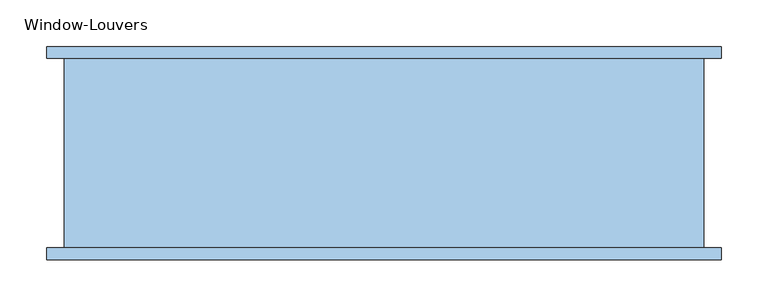
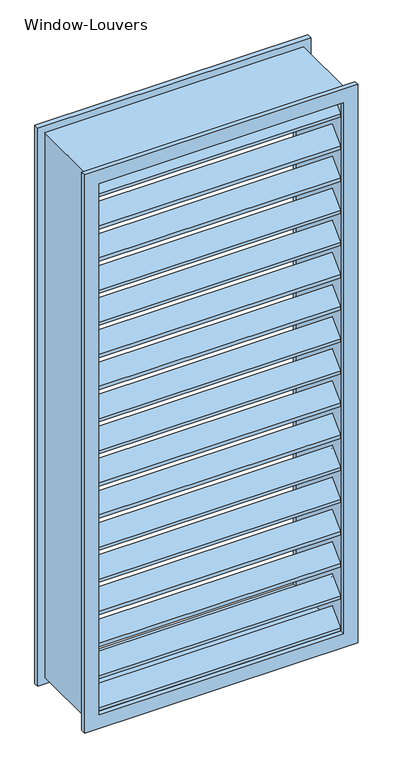
"""IFC4 building model written with IfcOpenShell, lengths in millimetres: window geometry, Window-Louvers."""

from ifc_helpers import new_model, si_unit, frame, origin, place, context, project, spatial, polyline, outline, extrude, source, transform, mapped, element, save


def window_louvers_41e8285a(model_context):
    return source(origin(), model_context, "Body", "SweptSolid", [
        extrude(outline(polyline([(-95.25, 2291.323766), (-57.15, 2329.423766), (-19.05, 2291.323766), (-19.05, 2282.3435099), (-57.15, 2320.4435099), (-95.25, 2282.3435099), (-95.25, 2291.323766)])), frame((-323.85, 0.0, 0.0), z_axis=(1.0, 0.0, 0.0), x_axis=(0.0, 1.0, 0.0)), (0.0, 0.0, 1.0), 647.7),
        extrude(outline(polyline([(-95.25, 2201.397532), (-57.15, 2239.497532), (-19.05, 2201.397532), (-19.05, 2192.4172759), (-57.15, 2230.5172759), (-95.25, 2192.4172759), (-95.25, 2201.397532)])), frame((-323.85, 0.0, 0.0), z_axis=(1.0, 0.0, 0.0), x_axis=(0.0, 1.0, 0.0)), (0.0, 0.0, 1.0), 647.7),
        extrude(outline(polyline([(-95.25, 2111.471298), (-57.15, 2149.571298), (-19.05, 2111.471298), (-19.05, 2102.4910419), (-57.15, 2140.5910419), (-95.25, 2102.4910419), (-95.25, 2111.471298)])), frame((-323.85, 0.0, 0.0), z_axis=(1.0, 0.0, 0.0), x_axis=(0.0, 1.0, 0.0)), (0.0, 0.0, 1.0), 647.7),
        extrude(outline(polyline([(-95.25, 2021.545064), (-57.15, 2059.645064), (-19.05, 2021.545064), (-19.05, 2012.5648079), (-57.15, 2050.6648079), (-95.25, 2012.5648079), (-95.25, 2021.545064)])), frame((-323.85, 0.0, 0.0), z_axis=(1.0, 0.0, 0.0), x_axis=(0.0, 1.0, 0.0)), (0.0, 0.0, 1.0), 647.7),
        extrude(outline(polyline([(-95.25, 1931.61883), (-57.15, 1969.71883), (-19.05, 1931.61883), (-19.05, 1922.6385739), (-57.15, 1960.7385739), (-95.25, 1922.6385739), (-95.25, 1931.61883)])), frame((-323.85, 0.0, 0.0), z_axis=(1.0, 0.0, 0.0), x_axis=(0.0, 1.0, 0.0)), (0.0, 0.0, 1.0), 647.7),
        extrude(outline(polyline([(-95.25, 1841.692596), (-57.15, 1879.792596), (-19.05, 1841.692596), (-19.05, 1832.7123399), (-57.15, 1870.8123399), (-95.25, 1832.7123399), (-95.25, 1841.692596)])), frame((-323.85, 0.0, 0.0), z_axis=(1.0, 0.0, 0.0), x_axis=(0.0, 1.0, 0.0)), (0.0, 0.0, 1.0), 647.7),
        extrude(outline(polyline([(-95.25, 1751.7663621), (-57.15, 1789.8663621), (-19.05, 1751.7663621), (-19.05, 1742.7861059), (-57.15, 1780.8861059), (-95.25, 1742.7861059), (-95.25, 1751.7663621)])), frame((-323.85, 0.0, 0.0), z_axis=(1.0, 0.0, 0.0), x_axis=(0.0, 1.0, 0.0)), (0.0, 0.0, 1.0), 647.7),
        extrude(outline(polyline([(-95.25, 1661.8401281), (-57.15, 1699.9401281), (-19.05, 1661.8401281), (-19.05, 1652.8598719), (-57.15, 1690.9598719), (-95.25, 1652.8598719), (-95.25, 1661.8401281)])), frame((-323.85, 0.0, 0.0), z_axis=(1.0, 0.0, 0.0), x_axis=(0.0, 1.0, 0.0)), (0.0, 0.0, 1.0), 647.7),
        extrude(outline(polyline([(-95.25, 1571.9138941), (-57.15, 1610.0138941), (-19.05, 1571.9138941), (-19.05, 1562.9336379), (-57.15, 1601.0336379), (-95.25, 1562.9336379), (-95.25, 1571.9138941)])), frame((-323.85, 0.0, 0.0), z_axis=(1.0, 0.0, 0.0), x_axis=(0.0, 1.0, 0.0)), (0.0, 0.0, 1.0), 647.7),
        extrude(outline(polyline([(-95.25, 1481.9876601), (-57.15, 1520.0876601), (-19.05, 1481.9876601), (-19.05, 1473.007404), (-57.15, 1511.107404), (-95.25, 1473.007404), (-95.25, 1481.9876601)])), frame((-323.85, 0.0, 0.0), z_axis=(1.0, 0.0, 0.0), x_axis=(0.0, 1.0, 0.0)), (0.0, 0.0, 1.0), 647.7),
        extrude(outline(polyline([(-95.25, 1392.0614261), (-57.15, 1430.1614261), (-19.05, 1392.0614261), (-19.05, 1383.08117), (-57.15, 1421.18117), (-95.25, 1383.08117), (-95.25, 1392.0614261)])), frame((-323.85, 0.0, 0.0), z_axis=(1.0, 0.0, 0.0), x_axis=(0.0, 1.0, 0.0)), (0.0, 0.0, 1.0), 647.7),
        extrude(outline(polyline([(-95.25, 1302.1351921), (-57.15, 1340.2351921), (-19.05, 1302.1351921), (-19.05, 1293.154936), (-57.15, 1331.254936), (-95.25, 1293.154936), (-95.25, 1302.1351921)])), frame((-323.85, 0.0, 0.0), z_axis=(1.0, 0.0, 0.0), x_axis=(0.0, 1.0, 0.0)), (0.0, 0.0, 1.0), 647.7),
        extrude(outline(polyline([(-95.25, 1212.2089581), (-57.15, 1250.3089581), (-19.05, 1212.2089581), (-19.05, 1203.228702), (-57.15, 1241.328702), (-95.25, 1203.228702), (-95.25, 1212.2089581)])), frame((-323.85, 0.0, 0.0), z_axis=(1.0, 0.0, 0.0), x_axis=(0.0, 1.0, 0.0)), (0.0, 0.0, 1.0), 647.7),
        extrude(outline(polyline([(-95.25, 1122.2827241), (-57.15, 1160.3827241), (-19.05, 1122.2827241), (-19.05, 1113.302468), (-57.15, 1151.402468), (-95.25, 1113.302468), (-95.25, 1122.2827241)])), frame((-323.85, 0.0, 0.0), z_axis=(1.0, 0.0, 0.0), x_axis=(0.0, 1.0, 0.0)), (0.0, 0.0, 1.0), 647.7),
        extrude(outline(polyline([(-95.25, 1032.3564901), (-57.15, 1070.4564901), (-19.05, 1032.3564901), (-19.05, 1023.376234), (-57.15, 1061.476234), (-95.25, 1023.376234), (-95.25, 1032.3564901)])), frame((-323.85, 0.0, 0.0), z_axis=(1.0, 0.0, 0.0), x_axis=(0.0, 1.0, 0.0)), (0.0, 0.0, 1.0), 647.7),
        extrude(outline(polyline([(-95.25, 2381.25), (-57.15, 2419.35), (-19.05, 2381.25), (-19.05, 2372.2697439), (-57.15, 2410.3697439), (-95.25, 2372.2697439), (-95.25, 2381.25)])), frame((-323.85, 0.0, 0.0), z_axis=(1.0, 0.0, 0.0), x_axis=(0.0, 1.0, 0.0)), (0.0, 0.0, 1.0), 647.7),
        extrude(outline(polyline([(-95.25, 942.4302561), (-57.15, 980.5302561), (-19.05, 942.4302561), (-19.05, 933.45), (-57.15, 971.55), (-95.25, 933.45), (-95.25, 942.4302561)])), frame((-323.85, 0.0, 0.0), z_axis=(1.0, 0.0, 0.0), x_axis=(0.0, 1.0, 0.0)), (0.0, 0.0, 1.0), 647.7),
        extrude(outline(polyline([(2438.4, 342.9), (2438.4, -342.9), (914.4, -342.9), (914.4, 342.9), (2438.4, 342.9)]), holes=[polyline([(2419.35, 323.85), (933.45, 323.85), (933.45, -323.85), (2419.35, -323.85), (2419.35, 323.85)])]), frame((0.0, -95.25, 0.0), z_axis=(0.0, 1.0, 0.0), x_axis=(0.0, 0.0, 1.0)), (0.0, 0.0, 1.0), 203.2),
        extrude(outline(polyline([(2457.45, 361.95), (2457.45, -361.95), (895.35, -361.95), (895.35, 361.95), (2457.45, 361.95)]), holes=[polyline([(2419.35, 323.85), (933.45, 323.85), (933.45, -323.85), (2419.35, -323.85), (2419.35, 323.85)])]), frame((0.0, 107.95, 0.0), z_axis=(0.0, 1.0, 0.0), x_axis=(0.0, 0.0, 1.0)), (0.0, 0.0, 1.0), 12.7),
        extrude(outline(polyline([(2457.45, -361.95), (895.35, -361.95), (895.35, 361.95), (2457.45, 361.95), (2457.45, -361.95)]), holes=[polyline([(2419.35, -323.85), (2419.35, 323.85), (933.45, 323.85), (933.45, -323.85), (2419.35, -323.85)])]), frame((0.0, -107.95, 0.0), z_axis=(0.0, 1.0, 0.0), x_axis=(0.0, 0.0, 1.0)), (0.0, 0.0, 1.0), 12.7),
    ])


if __name__ == "__main__":
    model = new_model("IFC4")
    model_context = context("Model", 3, world=origin())
    ifc_project = project(units=[si_unit("LENGTHUNIT", "METRE", prefix="MILLI")], contexts=[model_context])
    site = spatial("IfcSite", under=ifc_project)
    building = spatial("IfcBuilding", under=site)
    placement = place(None, origin())
    window_louvers_shape = window_louvers_41e8285a(model_context)
    element("IfcWindow", 1, ObjectType="Window-Louvers", at=placement, inside=building, context=model_context, shape_type="MappedRepresentation", body=[
        mapped(window_louvers_shape, transform((0.0, 0.0, 0.0), x_axis=(1.0, 0.0, 0.0), y_axis=(0.0, 1.0, 0.0), z_axis=(0.0, 0.0, 1.0))),
    ])
    save(model, "model.ifc")
